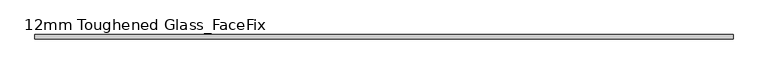
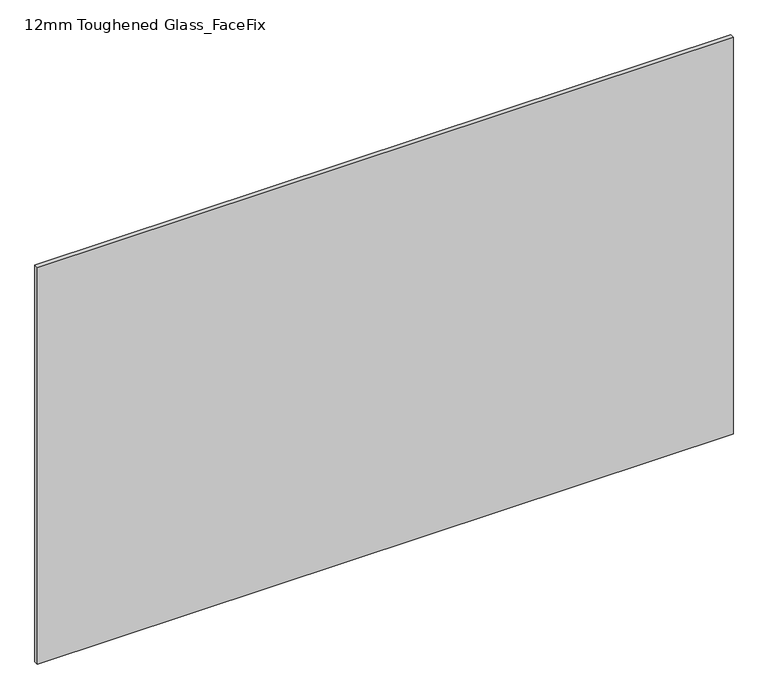
"""IFC4 building model written with IfcOpenShell, lengths in millimetres: plate geometry, 12mm Toughened Glass_FaceFix."""

from ifc_helpers import new_model, si_unit, origin, origin_with_axes, place, context, project, spatial, polyline, outline, extrude, source, transform, mapped, element, save


def plate_12mm_toughened_glass_facefix_5dc33661(model_context):
    return source(origin(), model_context, "Body", "SweptSolid", [
        extrude(outline(polyline([(995.0000001, -26.0), (995.0000001, -38.0), (-995.0000001, -38.0), (-995.0000001, -26.0), (995.0000001, -26.0)])), origin_with_axes(), (0.0, 0.0, 1.0), 1200.0),
    ])


if __name__ == "__main__":
    model = new_model("IFC4")
    model_context = context("Model", 3, world=origin())
    ifc_project = project(units=[si_unit("LENGTHUNIT", "METRE", prefix="MILLI")], contexts=[model_context])
    site = spatial("IfcSite", under=ifc_project)
    building = spatial("IfcBuilding", under=site)
    placement = place(None, origin())
    plate_12mm_toughened_glass_facefix_shape = plate_12mm_toughened_glass_facefix_5dc33661(model_context)
    element("IfcPlate", 1, ObjectType="12mm Toughened Glass_FaceFix", at=placement, inside=building, context=model_context, shape_type="MappedRepresentation", body=[
        mapped(plate_12mm_toughened_glass_facefix_shape, transform((0.0, 0.0, 0.0), x_axis=(1.0, 0.0, 0.0), y_axis=(0.0, 1.0, 0.0), z_axis=(0.0, 0.0, 1.0))),
    ])
    save(model, "model.ifc")
